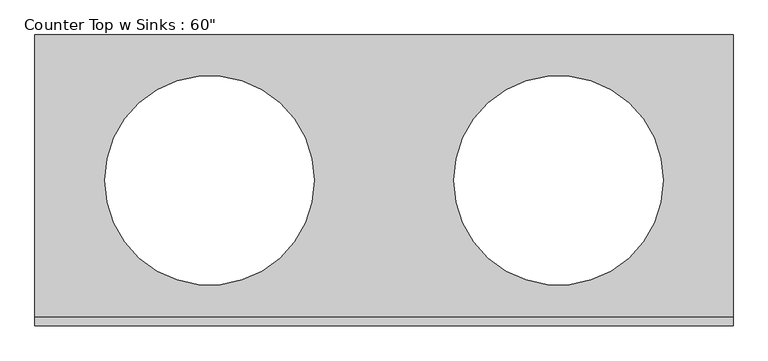
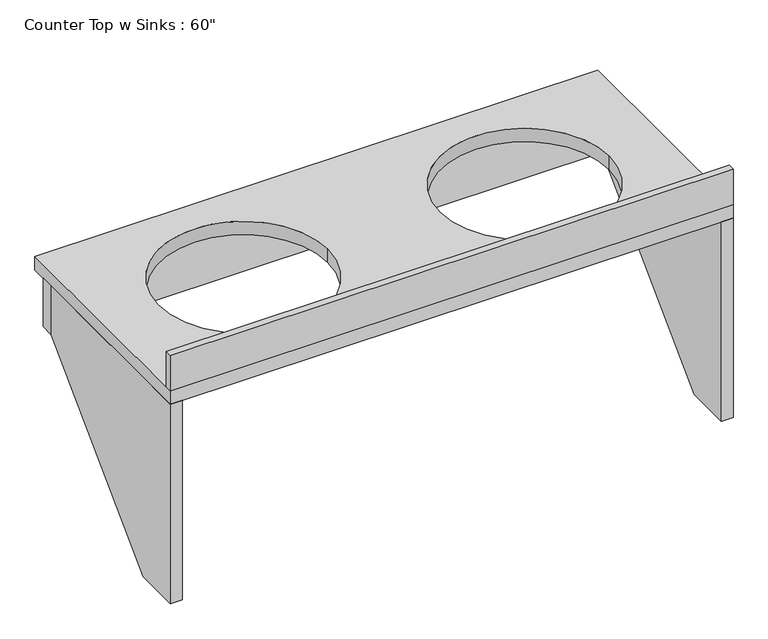
"""IFC4 building model written with IfcOpenShell, lengths in millimetres: furniture geometry."""

from ifc_helpers import new_model, si_unit, point, frame, frame_2d, origin, place, context, project, spatial, polyline, circle_curve, trimmed, segment, composite_curve, outline, extrude, source, transform, mapped, element, save


def furniture_27f5f7bc(model_context):
    return source(origin(), model_context, "Body", "SweptSolid", [
        extrude(outline(polyline([(147.6375, 825.5), (706.4375, 825.5), (706.4375, 685.8), (274.6375, 254.0), (147.6375, 254.0), (147.6375, 825.5)])), frame((-1116.1103038, 0.0, 0.0), z_axis=(1.0, 0.0, 0.0), x_axis=(0.0, 1.0, 0.0)), (0.0, 0.0, 1.0), 31.75),
        extrude(outline(polyline([(147.6375, 825.5), (706.4375, 825.5), (706.4375, 685.8), (274.6375, 254.0), (147.6375, 254.0), (147.6375, 825.5)])), frame((376.1396962, 0.0, 0.0), z_axis=(1.0, 0.0, 0.0), x_axis=(0.0, 1.0, 0.0)), (0.0, 0.0, 1.0), 31.75),
        extrude(outline(polyline([(-1116.1103038, 706.4375), (-1116.1103038, 744.5375), (407.8896962, 744.5375), (407.8896962, 706.4375), (-1116.1103038, 706.4375)])), frame((0.0, 0.0, 685.8), z_axis=(0.0, 0.0, 1.0), x_axis=(1.0, 0.0, 0.0)), (0.0, 0.0, 1.0), 139.7),
        extrude(outline(polyline([(407.8896962, 147.6375), (-1116.1103038, 147.6375), (-1116.1103038, 166.6875), (407.8896962, 166.6875), (407.8896962, 147.6375)])), frame((0.0, 0.0, 863.6), z_axis=(0.0, 0.0, 1.0), x_axis=(1.0, 0.0, 0.0)), (0.0, 0.0, 1.0), 101.6),
        extrude(outline(polyline([(407.8896962, 147.6375), (-1116.1103038, 147.6375), (-1116.1103038, 782.6375), (407.8896962, 782.6375), (407.8896962, 147.6375)]), holes=[composite_curve([segment(trimmed(circle_curve(frame_2d((-735.1103038, 465.1375)), 228.6), [point((-963.7103038, 465.1375))], [point((-506.5103038, 465.1375))], True, "CARTESIAN"), True, "CONTINUOUS"), segment(trimmed(circle_curve(frame_2d((-735.1103038, 465.1375)), 228.6), [point((-506.5103038, 465.1375))], [point((-963.7103038, 465.1375))], True, "CARTESIAN"), True, "CONTINUOUS")], self_intersect=False), composite_curve([segment(trimmed(circle_curve(frame_2d((26.8896962, 465.1375)), 228.6), [point((-201.7103038, 465.1375))], [point((255.4896962, 465.1375))], True, "CARTESIAN"), True, "CONTINUOUS"), segment(trimmed(circle_curve(frame_2d((26.8896962, 465.1375)), 228.6), [point((255.4896962, 465.1375))], [point((-201.7103038, 465.1375))], True, "CARTESIAN"), True, "CONTINUOUS")], self_intersect=False)]), frame((0.0, 0.0, 825.5), z_axis=(0.0, 0.0, 1.0), x_axis=(1.0, 0.0, 0.0)), (0.0, 0.0, 1.0), 38.1),
    ])


if __name__ == "__main__":
    model = new_model("IFC4")
    model_context = context("Model", 3, world=origin())
    ifc_project = project(units=[si_unit("LENGTHUNIT", "METRE", prefix="MILLI")], contexts=[model_context])
    site = spatial("IfcSite", under=ifc_project)
    building = spatial("IfcBuilding", under=site)
    placement = place(None, origin())
    furniture_shape = furniture_27f5f7bc(model_context)
    element("IfcFurniture", 1, ObjectType="Counter Top w Sinks : 60\"", at=placement, inside=building, context=model_context, shape_type="MappedRepresentation", body=[
        mapped(furniture_shape, transform((0.0, 0.0, 0.0), x_axis=(1.0, 0.0, 0.0), y_axis=(0.0, 1.0, 0.0), z_axis=(0.0, 0.0, 1.0))),
    ])
    save(model, "model.ifc")
